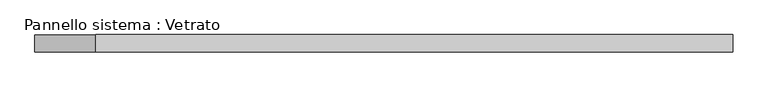
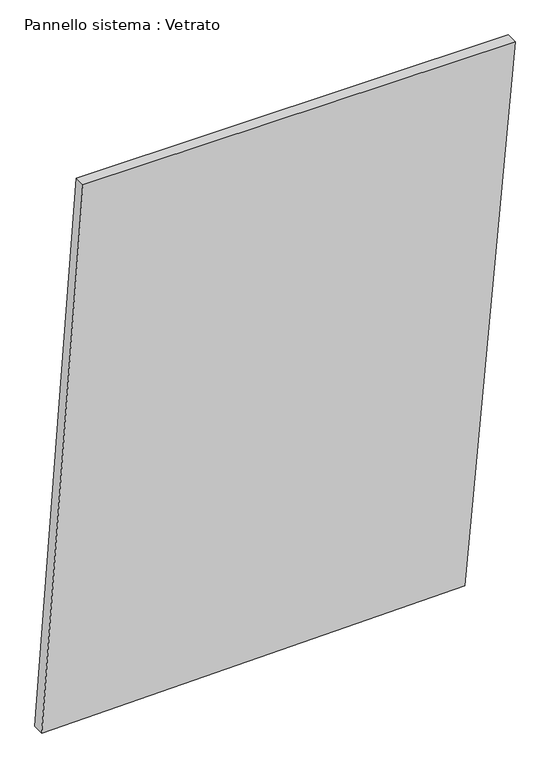
"""IFC4 building model written with IfcOpenShell, lengths in millimetres: plate geometry, Pannello sistema : Vetrato."""

import ifcopenshell
import ifcopenshell.guid

model = None  # the IFC model being written
_history = None  # IfcOwnerHistory: only IFC2X3 demands one
_inside = {}  # id of a spatial element -> (the spatial element, [elements in it])
_under = {}  # id of a project, library or spatial element -> (it, [spatial elements below it])
_declared = {}  # id of a project -> (the project, [libraries it declares])
_typed = {}  # id of a type object -> (the type object, [elements of that type])
_made_of = {}  # id of a material, layer set ... -> (it, [elements and type objects made of it])


def new_model(schema):
    """Start an empty IFC model of exactly this schema.

    Asked for "IFC4X3", IfcOpenShell would pick the latest addendum, in which some entities
    have other attributes; the version numbers below select the first issue.
    IFC2X3 requires an IfcOwnerHistory on every rooted entity: one is made here for all.
    """
    global model, _history
    if schema == "IFC4X3":
        model = ifcopenshell.file(schema_version=(4, 3, 0, 0))
    else:
        model = ifcopenshell.file(schema=schema)
    _inside.clear()
    _under.clear()
    _declared.clear()
    _typed.clear()
    _made_of.clear()
    _history = None
    if model.schema == "IFC2X3":
        org = make("IfcOrganization", Name="unknown")
        user = make(
            "IfcPersonAndOrganization",
            ThePerson=make("IfcPerson", FamilyName="unknown"),
            TheOrganization=org,
        )
        app = make(
            "IfcApplication",
            ApplicationDeveloper=org,
            Version="unknown",
            ApplicationFullName="unknown",
            ApplicationIdentifier="unknown",
        )
        _history = make(
            "IfcOwnerHistory",
            OwningUser=user,
            OwningApplication=app,
            ChangeAction="ADDED",
            CreationDate=0,
        )
    return model


def make(cls, **values):
    """One entity of the class cls with the attributes given. An attribute that is None is left unset."""
    return model.create_entity(
        cls, **{name: value for name, value in values.items() if value is not None}
    )


def rooted(cls, **values):
    """An entity with a GlobalId (a new one), such as an element, a storey or a relation."""
    return make(cls, GlobalId=ifcopenshell.guid.new(), OwnerHistory=_history, **values)


def si_unit(unit_type, name, prefix=None):
    """IfcSIUnit, for example si_unit("LENGTHUNIT", "METRE", prefix="MILLI")."""
    return make("IfcSIUnit", UnitType=unit_type, Prefix=prefix, Name=name)


def assignment(units):
    """IfcUnitAssignment: the units of a project."""
    return None if units is None else make("IfcUnitAssignment", Units=units)


def point(xyz):
    """IfcCartesianPoint."""
    return None if xyz is None else make("IfcCartesianPoint", Coordinates=xyz)


def direction(xyz):
    """IfcDirection."""
    return None if xyz is None else make("IfcDirection", DirectionRatios=xyz)


def frame(location, z_axis=None, x_axis=None):
    """IfcAxis2Placement3D, a coordinate frame: its origin and axes. An axis left out is left unset."""
    return make(
        "IfcAxis2Placement3D",
        Location=point(location),
        Axis=direction(z_axis),
        RefDirection=direction(x_axis),
    )


def origin():
    """The frame at (0, 0, 0) with its axes left unset."""
    return frame((0.0, 0.0, 0.0))


def place(relative_to, where):
    """IfcLocalPlacement: puts the frame where relative to a parent placement (None: the world)."""
    return make(
        "IfcLocalPlacement", PlacementRelTo=relative_to, RelativePlacement=where
    )


def context(
    kind, dimensions, precision=None, world=None, true_north=None, identifier=None
):
    """IfcGeometricRepresentationContext, for example the 3D "Model" context."""
    return make(
        "IfcGeometricRepresentationContext",
        ContextIdentifier=identifier,
        ContextType=kind,
        CoordinateSpaceDimension=dimensions,
        Precision=precision,
        WorldCoordinateSystem=world,
        TrueNorth=true_north,
    )


def project(units=None, contexts=None):
    """IfcProject with its units and contexts."""
    return rooted(
        "IfcProject",
        Name="project",
        RepresentationContexts=contexts,
        UnitsInContext=assignment(units),
    )


def spatial(cls, under=None, at=None, **own):
    """A site, building, storey or space (cls), placed at a placement, below another one or the project."""
    s = rooted(cls, ObjectPlacement=at, **own)
    if under is not None:
        _under.setdefault(under.id(), (under, []))[1].append(s)
    return s


def polyline(points):
    """IfcPolyline through the points."""
    return make("IfcPolyline", Points=[point(p) for p in points])


def outline(outer, holes=None, kind="AREA"):
    """IfcArbitraryClosedProfileDef: a profile drawn as a closed curve; with holes, ...WithVoids."""
    if holes is None:
        return make("IfcArbitraryClosedProfileDef", ProfileType=kind, OuterCurve=outer)
    return make(
        "IfcArbitraryProfileDefWithVoids",
        ProfileType=kind,
        OuterCurve=outer,
        InnerCurves=holes,
    )


def extrude(swept, where, along, depth):
    """IfcExtrudedAreaSolid: the profile swept, set in the frame where, extruded along a direction by depth."""
    return make(
        "IfcExtrudedAreaSolid",
        SweptArea=swept,
        Position=where,
        ExtrudedDirection=direction(along),
        Depth=depth,
    )


def shape(context_of_items, identifier, shape_type, items):
    """IfcShapeRepresentation: the items that make up one representation, for example the "Body"."""
    return make(
        "IfcShapeRepresentation",
        ContextOfItems=context_of_items,
        RepresentationIdentifier=identifier,
        RepresentationType=shape_type,
        Items=items,
    )


def source(mapping_origin, context_of_items, identifier, shape_type, items):
    """IfcRepresentationMap: a shape defined once, which mapped items show again and again."""
    return make(
        "IfcRepresentationMap",
        MappingOrigin=mapping_origin,
        MappedRepresentation=shape(context_of_items, identifier, shape_type, items),
    )


def transform(
    local_origin,
    x_axis=None,
    y_axis=None,
    z_axis=None,
    scale=None,
    scale2=None,
    scale3=None,
    uniform=True,
):
    """IfcCartesianTransformationOperator3D, or its non-uniform kind. x_axis, y_axis, z_axis: its Axis1, 2, 3."""
    if uniform:
        return make(
            "IfcCartesianTransformationOperator3D",
            Axis1=direction(x_axis),
            Axis2=direction(y_axis),
            LocalOrigin=point(local_origin),
            Scale=scale,
            Axis3=direction(z_axis),
        )
    return make(
        "IfcCartesianTransformationOperator3DnonUniform",
        Axis1=direction(x_axis),
        Axis2=direction(y_axis),
        LocalOrigin=point(local_origin),
        Scale=scale,
        Axis3=direction(z_axis),
        Scale2=scale2,
        Scale3=scale3,
    )


def mapped(mapping_source, mapping_target):
    """IfcMappedItem: shows the shape of a source again, moved by a transform."""
    return make(
        "IfcMappedItem", MappingSource=mapping_source, MappingTarget=mapping_target
    )


def made_of(thing, what):
    """Note that an element or type object is made of a material, layer set ...; save() writes the relation."""
    if what is not None:
        _made_of.setdefault(what.id(), (what, []))[1].append(thing)
    return thing


def element(
    cls,
    number,
    at=None,
    inside=None,
    cuts=None,
    type_object=None,
    material=None,
    context=None,
    identifier="Body",
    shape_type=None,
    held_by="IfcProductDefinitionShape",
    body=None,
    shapes=None,
    **own,
):
    """One element of the class cls, such as IfcWall. Its Tag is "e" and its number.

    at: its placement. inside: the storey or other place that contains it. cuts: it is an
    opening in that element (IfcRelVoidsElement). A single representation is given by context,
    identifier, shape_type and body (its items); several are given by shapes. held_by: the class
    of the entity that holds the representations. save() writes the other relations.
    """
    e = rooted(cls, Tag="e%d" % number, ObjectPlacement=at, **own)
    if body is not None:
        shapes = [shape(context, identifier, shape_type, body)]
    if shapes is not None:
        e.Representation = make(held_by, Representations=shapes)
    if inside is not None:
        _inside.setdefault(inside.id(), (inside, []))[1].append(e)
    if cuts is not None:
        rooted(
            "IfcRelVoidsElement", RelatingBuildingElement=cuts, RelatedOpeningElement=e
        )
    if type_object is not None:
        _typed.setdefault(type_object.id(), (type_object, []))[1].append(e)
    return made_of(e, material)


def aggregate(whole, parts):
    """IfcRelAggregates: a whole, such as a stair, and the parts it consists of."""
    return rooted("IfcRelAggregates", RelatingObject=whole, RelatedObjects=parts)


def save(model, path):
    """Write the relations noted so far, then the file.

    IfcRelAggregates (storeys below a building ...), IfcRelContainedInSpatialStructure (elements
    in a storey), IfcRelDefinesByType, IfcRelAssociatesMaterial and IfcRelDeclares: one each for
    every whole, place, type object, material and project.
    """
    for whole, parts in _under.values():
        aggregate(whole, parts)
    for where, things in _inside.values():
        rooted(
            "IfcRelContainedInSpatialStructure",
            RelatedElements=things,
            RelatingStructure=where,
        )
    for kind, things in _typed.values():
        rooted("IfcRelDefinesByType", RelatedObjects=things, RelatingType=kind)
    for what, things in _made_of.values():
        rooted("IfcRelAssociatesMaterial", RelatedObjects=things, RelatingMaterial=what)
    for by, libraries in _declared.values():
        rooted("IfcRelDeclares", RelatingContext=by, RelatedDefinitions=libraries)
    model.write(path)


def pannello_sistema_vetrato_3d750f09(model_context):
    return source(origin(), model_context, "Body", "SweptSolid", [
        extrude(outline(polyline([(0.0, -609.7074969), (19.0809995, 480.0786637), (1456.0333511, 609.7074969), (1456.0333511, -503.475123), (0.0, -609.7074969)])), frame((0.0, -15.0, 0.0), z_axis=(0.0, 1.0, 0.0), x_axis=(0.0, 0.0, 1.0)), (0.0, 0.0, 1.0), 30.0),
    ])


if __name__ == "__main__":
    model = new_model("IFC4")
    model_context = context("Model", 3, world=origin())
    ifc_project = project(units=[si_unit("LENGTHUNIT", "METRE", prefix="MILLI")], contexts=[model_context])
    site = spatial("IfcSite", under=ifc_project)
    building = spatial("IfcBuilding", under=site)
    placement = place(None, origin())
    pannello_sistema_vetrato_shape = pannello_sistema_vetrato_3d750f09(model_context)
    element("IfcPlate", 1, ObjectType="Pannello sistema : Vetrato", at=placement, inside=building, context=model_context, shape_type="MappedRepresentation", body=[
        mapped(pannello_sistema_vetrato_shape, transform((0.0, 0.0, 0.0), x_axis=(1.0, 0.0, 0.0), y_axis=(0.0, 1.0, 0.0), z_axis=(0.0, 0.0, 1.0))),
    ])
    save(model, "model.ifc")
